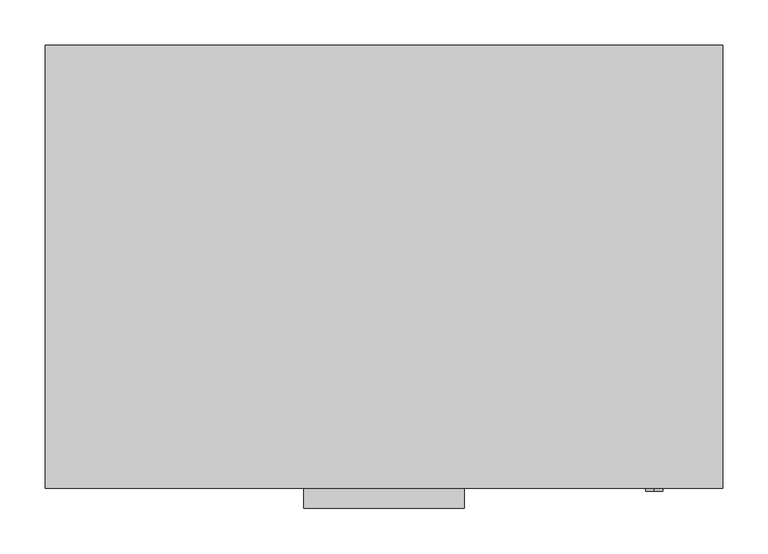
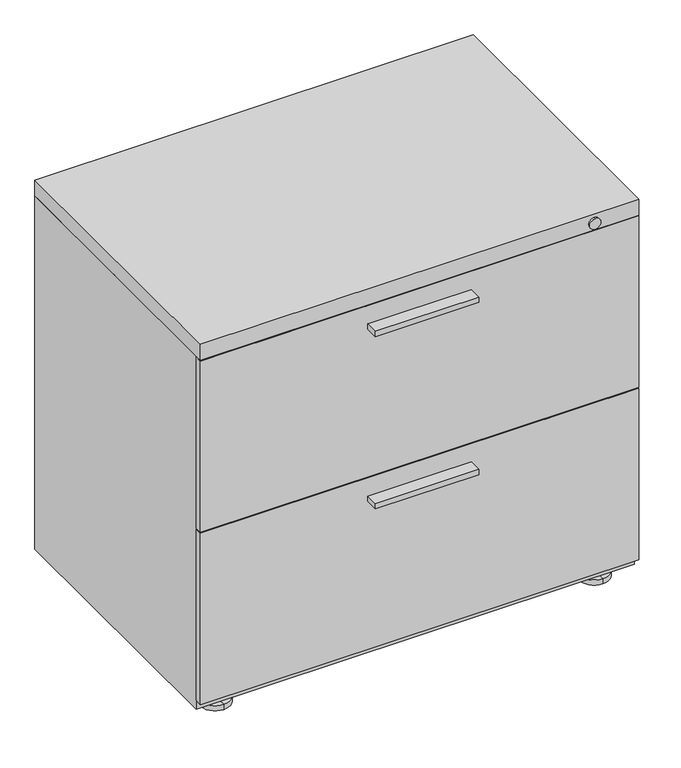
"""IFC4 building model written with IfcOpenShell, lengths in millimetres: furniture geometry."""

from ifc_helpers import new_model, si_unit, point, frame, frame_2d, origin, place, context, project, spatial, polyline, circle_curve, trimmed, segment, composite_curve, outline, extrude, source, transform, mapped, element, save
from ifc_brep_helpers import plane_surface, cylinder_surface, advanced_brep


def furniture_3947ad77(model_context):
    return source(origin(), model_context, "Body", "SolidModel", [
        advanced_brep(
        [(325.4374758, 201.6124871, 22.2249992), (325.4374758, 176.2124932, 22.2249992), (325.4374758, 188.9124902, 22.2249992), (325.4374758, 201.6124871, 9.525), (325.4374758, 176.2124932, 9.525), (325.4374758, 214.3124886, 9.525), (325.4374758, 163.5124917, 9.525), (325.4374758, 214.3124886, 0.0), (325.4374758, 163.5124917, 0.0), (325.4374758, 188.9124902, 0.0)],
        [
            (0, 1, circle_curve(frame((325.4374758, 188.9124902, 22.2249992), z_axis=(0.0, 0.0, 1.0), x_axis=(0.0, -1.0, 0.0)), 12.699997)),
            (1, 2),
            (2, 0),
            (1, 0, circle_curve(frame((325.4374758, 188.9124902, 22.2249992), z_axis=(0.0, 0.0, 1.0), x_axis=(0.0, -1.0, 0.0)), 12.699997)),
            (3, 4, circle_curve(frame((325.4374758, 188.9124902, 9.525), z_axis=(0.0, 0.0, 1.0), x_axis=(0.0, -1.0, 0.0)), 12.699997)),
            (4, 1),
            (0, 3),
            (4, 3, circle_curve(frame((325.4374758, 188.9124902, 9.525), z_axis=(0.0, 0.0, 1.0), x_axis=(0.0, -1.0, 0.0)), 12.699997)),
            (5, 6, circle_curve(frame((325.4374758, 188.9124902, 9.525), z_axis=(0.0, 0.0, 1.0), x_axis=(0.0, -1.0, 0.0)), 25.3999985)),
            (6, 4),
            (3, 5),
            (6, 5, circle_curve(frame((325.4374758, 188.9124902, 9.525), z_axis=(0.0, 0.0, 1.0), x_axis=(0.0, -1.0, 0.0)), 25.3999985)),
            (7, 8, circle_curve(frame((325.4374758, 188.9124902, 0.0), z_axis=(0.0, 0.0, 1.0), x_axis=(0.0, -1.0, 0.0)), 25.3999985)),
            (8, 6),
            (5, 7),
            (8, 7, circle_curve(frame((325.4374758, 188.9124902, 0.0), z_axis=(0.0, 0.0, 1.0), x_axis=(0.0, -1.0, 0.0)), 25.3999985)),
            (9, 8),
            (7, 9),
        ],
        [
            plane_surface(frame((325.4374758, 188.9124902, 22.2249992), z_axis=(0.0, 0.0, 1.0), x_axis=(0.0, -1.0, 0.0))),
            cylinder_surface(frame((325.4374758, 188.9124902, 0.0), z_axis=(0.0, 0.0, -1.0), x_axis=(0.0, -1.0, 0.0)), 12.699997),
            plane_surface(frame((325.4374758, 188.9124902, 9.525), z_axis=(0.0, 0.0, 1.0), x_axis=(0.0, -1.0, 0.0))),
            cylinder_surface(frame((325.4374758, 188.9124902, 0.0), z_axis=(0.0, 0.0, -1.0), x_axis=(0.0, -1.0, 0.0)), 25.3999985),
            plane_surface(frame((325.4374758, 188.9124902, 0.0), z_axis=(0.0, 0.0, -1.0), x_axis=(0.0, -1.0, 0.0))),
        ],
        [
            (0, [[1, 2, 3]]),
            (0, [[4, -3, -2]]),
            (1, [[5, 6, -1, 7]]),
            (1, [[8, -7, -4, -6]]),
            (2, [[9, 10, -5, 11]]),
            (2, [[12, -11, -8, -10]]),
            (3, [[13, 14, -9, 15]]),
            (3, [[16, -15, -12, -14]]),
            (4, [[17, -13, 18]]),
            (4, [[-18, -16, -17]]),
        ],
    ),
        advanced_brep(
        [(325.4374758, 214.3124909, 9.525), (325.4374758, 163.5124939, 9.525), (325.4374758, 188.9124924, 9.525), (325.4374758, 214.3124909, 0.0), (325.4374758, 163.5124939, 0.0), (325.4374758, 188.9124924, 0.0)],
        [
            (0, 1, circle_curve(frame((325.4374758, 188.9124924, 9.525), z_axis=(0.0, 0.0, 1.0), x_axis=(0.0, -1.0, 0.0)), 25.3999985)),
            (1, 2),
            (2, 0),
            (1, 0, circle_curve(frame((325.4374758, 188.9124924, 9.525), z_axis=(0.0, 0.0, 1.0), x_axis=(0.0, -1.0, 0.0)), 25.3999985)),
            (3, 4, circle_curve(frame((325.4374758, 188.9124924, 0.0), z_axis=(0.0, 0.0, 1.0), x_axis=(0.0, -1.0, 0.0)), 25.3999985)),
            (4, 1),
            (0, 3),
            (4, 3, circle_curve(frame((325.4374758, 188.9124924, 0.0), z_axis=(0.0, 0.0, 1.0), x_axis=(0.0, -1.0, 0.0)), 25.3999985)),
            (5, 4),
            (3, 5),
        ],
        [
            plane_surface(frame((325.4374758, 188.9124924, 9.525), z_axis=(0.0, 0.0, 1.0), x_axis=(0.0, -1.0, 0.0))),
            cylinder_surface(frame((325.4374758, 188.9124924, 0.0), z_axis=(0.0, 0.0, -1.0), x_axis=(0.0, -1.0, 0.0)), 25.3999985),
            plane_surface(frame((325.4374758, 188.9124924, 0.0), z_axis=(0.0, 0.0, -1.0), x_axis=(0.0, -1.0, 0.0))),
        ],
        [
            (0, [[1, 2, 3]]),
            (0, [[4, -3, -2]]),
            (1, [[5, 6, -1, 7]]),
            (1, [[8, -7, -4, -6]]),
            (2, [[9, -5, 10]]),
            (2, [[-10, -8, -9]]),
        ],
    ),
        advanced_brep(
        [(325.4374758, -188.912522, 22.2249992), (325.4374758, -214.3125159, 22.2249992), (325.4374758, -201.6125189, 22.2249992), (325.4374758, -188.912522, 9.525), (325.4374758, -214.3125159, 9.525), (325.4374758, -176.2125204, 9.525), (325.4374758, -227.0125174, 9.525), (325.4374758, -176.2125204, 0.0), (325.4374758, -227.0125174, 0.0), (325.4374758, -201.6125189, 0.0)],
        [
            (0, 1, circle_curve(frame((325.4374758, -201.6125189, 22.2249992), z_axis=(0.0, 0.0, 1.0), x_axis=(0.0, -1.0, 0.0)), 12.699997)),
            (1, 2),
            (2, 0),
            (1, 0, circle_curve(frame((325.4374758, -201.6125189, 22.2249992), z_axis=(0.0, 0.0, 1.0), x_axis=(0.0, -1.0, 0.0)), 12.699997)),
            (3, 4, circle_curve(frame((325.4374758, -201.6125189, 9.525), z_axis=(0.0, 0.0, 1.0), x_axis=(0.0, -1.0, 0.0)), 12.699997)),
            (4, 1),
            (0, 3),
            (4, 3, circle_curve(frame((325.4374758, -201.6125189, 9.525), z_axis=(0.0, 0.0, 1.0), x_axis=(0.0, -1.0, 0.0)), 12.699997)),
            (5, 6, circle_curve(frame((325.4374758, -201.6125189, 9.525), z_axis=(0.0, 0.0, 1.0), x_axis=(0.0, -1.0, 0.0)), 25.3999985)),
            (6, 4),
            (3, 5),
            (6, 5, circle_curve(frame((325.4374758, -201.6125189, 9.525), z_axis=(0.0, 0.0, 1.0), x_axis=(0.0, -1.0, 0.0)), 25.3999985)),
            (7, 8, circle_curve(frame((325.4374758, -201.6125189, 0.0), z_axis=(0.0, 0.0, 1.0), x_axis=(0.0, -1.0, 0.0)), 25.3999985)),
            (8, 6),
            (5, 7),
            (8, 7, circle_curve(frame((325.4374758, -201.6125189, 0.0), z_axis=(0.0, 0.0, 1.0), x_axis=(0.0, -1.0, 0.0)), 25.3999985)),
            (9, 8),
            (7, 9),
        ],
        [
            plane_surface(frame((325.4374758, -201.6125189, 22.2249992), z_axis=(0.0, 0.0, 1.0), x_axis=(0.0, -1.0, 0.0))),
            cylinder_surface(frame((325.4374758, -201.6125189, 0.0), z_axis=(0.0, 0.0, -1.0), x_axis=(0.0, -1.0, 0.0)), 12.699997),
            plane_surface(frame((325.4374758, -201.6125189, 9.525), z_axis=(0.0, 0.0, 1.0), x_axis=(0.0, -1.0, 0.0))),
            cylinder_surface(frame((325.4374758, -201.6125189, 0.0), z_axis=(0.0, 0.0, -1.0), x_axis=(0.0, -1.0, 0.0)), 25.3999985),
            plane_surface(frame((325.4374758, -201.6125189, 0.0), z_axis=(0.0, 0.0, -1.0), x_axis=(0.0, -1.0, 0.0))),
        ],
        [
            (0, [[1, 2, 3]]),
            (0, [[4, -3, -2]]),
            (1, [[5, 6, -1, 7]]),
            (1, [[8, -7, -4, -6]]),
            (2, [[9, 10, -5, 11]]),
            (2, [[12, -11, -8, -10]]),
            (3, [[13, 14, -9, 15]]),
            (3, [[16, -15, -12, -14]]),
            (4, [[17, -13, 18]]),
            (4, [[-18, -16, -17]]),
        ],
    ),
        advanced_brep(
        [(325.4374758, -176.2125182, 9.525), (325.4374758, -227.0125151, 9.525), (325.4374758, -201.6125167, 9.525), (325.4374758, -176.2125182, 0.0), (325.4374758, -227.0125151, 0.0), (325.4374758, -201.6125167, 0.0)],
        [
            (0, 1, circle_curve(frame((325.4374758, -201.6125167, 9.525), z_axis=(0.0, 0.0, 1.0), x_axis=(0.0, -1.0, 0.0)), 25.3999985)),
            (1, 2),
            (2, 0),
            (1, 0, circle_curve(frame((325.4374758, -201.6125167, 9.525), z_axis=(0.0, 0.0, 1.0), x_axis=(0.0, -1.0, 0.0)), 25.3999985)),
            (3, 4, circle_curve(frame((325.4374758, -201.6125167, 0.0), z_axis=(0.0, 0.0, 1.0), x_axis=(0.0, -1.0, 0.0)), 25.3999985)),
            (4, 1),
            (0, 3),
            (4, 3, circle_curve(frame((325.4374758, -201.6125167, 0.0), z_axis=(0.0, 0.0, 1.0), x_axis=(0.0, -1.0, 0.0)), 25.3999985)),
            (5, 4),
            (3, 5),
        ],
        [
            plane_surface(frame((325.4374758, -201.6125167, 9.525), z_axis=(0.0, 0.0, 1.0), x_axis=(0.0, -1.0, 0.0))),
            cylinder_surface(frame((325.4374758, -201.6125167, 0.0), z_axis=(0.0, 0.0, -1.0), x_axis=(0.0, -1.0, 0.0)), 25.3999985),
            plane_surface(frame((325.4374758, -201.6125167, 0.0), z_axis=(0.0, 0.0, -1.0), x_axis=(0.0, -1.0, 0.0))),
        ],
        [
            (0, [[1, 2, 3]]),
            (0, [[4, -3, -2]]),
            (1, [[5, 6, -1, 7]]),
            (1, [[8, -7, -4, -6]]),
            (2, [[9, -5, 10]]),
            (2, [[-10, -8, -9]]),
        ],
    ),
        advanced_brep(
        [(-325.4374985, 201.6124871, 22.2249992), (-325.4374985, 176.2124932, 22.2249992), (-325.4374985, 188.9124902, 22.2249992), (-325.4374985, 201.6124871, 9.525), (-325.4374985, 176.2124932, 9.525), (-325.4374985, 214.3124886, 9.525), (-325.4374985, 163.5124917, 9.525), (-325.4374985, 214.3124886, 0.0), (-325.4374985, 163.5124917, 0.0), (-325.4374985, 188.9124902, 0.0)],
        [
            (0, 1, circle_curve(frame((-325.4374985, 188.9124902, 22.2249992), z_axis=(0.0, 0.0, 1.0), x_axis=(0.0, -1.0, 0.0)), 12.699997)),
            (1, 2),
            (2, 0),
            (1, 0, circle_curve(frame((-325.4374985, 188.9124902, 22.2249992), z_axis=(0.0, 0.0, 1.0), x_axis=(0.0, -1.0, 0.0)), 12.699997)),
            (3, 4, circle_curve(frame((-325.4374985, 188.9124902, 9.525), z_axis=(0.0, 0.0, 1.0), x_axis=(0.0, -1.0, 0.0)), 12.699997)),
            (4, 1),
            (0, 3),
            (4, 3, circle_curve(frame((-325.4374985, 188.9124902, 9.525), z_axis=(0.0, 0.0, 1.0), x_axis=(0.0, -1.0, 0.0)), 12.699997)),
            (5, 6, circle_curve(frame((-325.4374985, 188.9124902, 9.525), z_axis=(0.0, 0.0, 1.0), x_axis=(0.0, -1.0, 0.0)), 25.3999985)),
            (6, 4),
            (3, 5),
            (6, 5, circle_curve(frame((-325.4374985, 188.9124902, 9.525), z_axis=(0.0, 0.0, 1.0), x_axis=(0.0, -1.0, 0.0)), 25.3999985)),
            (7, 8, circle_curve(frame((-325.4374985, 188.9124902, 0.0), z_axis=(0.0, 0.0, 1.0), x_axis=(0.0, -1.0, 0.0)), 25.3999985)),
            (8, 6),
            (5, 7),
            (8, 7, circle_curve(frame((-325.4374985, 188.9124902, 0.0), z_axis=(0.0, 0.0, 1.0), x_axis=(0.0, -1.0, 0.0)), 25.3999985)),
            (9, 8),
            (7, 9),
        ],
        [
            plane_surface(frame((-325.4374985, 188.9124902, 22.2249992), z_axis=(0.0, 0.0, 1.0), x_axis=(0.0, -1.0, 0.0))),
            cylinder_surface(frame((-325.4374985, 188.9124902, 0.0), z_axis=(0.0, 0.0, -1.0), x_axis=(0.0, -1.0, 0.0)), 12.699997),
            plane_surface(frame((-325.4374985, 188.9124902, 9.525), z_axis=(0.0, 0.0, 1.0), x_axis=(0.0, -1.0, 0.0))),
            cylinder_surface(frame((-325.4374985, 188.9124902, 0.0), z_axis=(0.0, 0.0, -1.0), x_axis=(0.0, -1.0, 0.0)), 25.3999985),
            plane_surface(frame((-325.4374985, 188.9124902, 0.0), z_axis=(0.0, 0.0, -1.0), x_axis=(0.0, -1.0, 0.0))),
        ],
        [
            (0, [[1, 2, 3]]),
            (0, [[4, -3, -2]]),
            (1, [[5, 6, -1, 7]]),
            (1, [[8, -7, -4, -6]]),
            (2, [[9, 10, -5, 11]]),
            (2, [[12, -11, -8, -10]]),
            (3, [[13, 14, -9, 15]]),
            (3, [[16, -15, -12, -14]]),
            (4, [[17, -13, 18]]),
            (4, [[-18, -16, -17]]),
        ],
    ),
        advanced_brep(
        [(-325.4374985, 214.3124909, 9.525), (-325.4374985, 163.5124939, 9.525), (-325.4374985, 188.9124924, 9.525), (-325.4374985, 214.3124909, 0.0), (-325.4374985, 163.5124939, 0.0), (-325.4374985, 188.9124924, 0.0)],
        [
            (0, 1, circle_curve(frame((-325.4374985, 188.9124924, 9.525), z_axis=(0.0, 0.0, 1.0), x_axis=(0.0, -1.0, 0.0)), 25.3999985)),
            (1, 2),
            (2, 0),
            (1, 0, circle_curve(frame((-325.4374985, 188.9124924, 9.525), z_axis=(0.0, 0.0, 1.0), x_axis=(0.0, -1.0, 0.0)), 25.3999985)),
            (3, 4, circle_curve(frame((-325.4374985, 188.9124924, 0.0), z_axis=(0.0, 0.0, 1.0), x_axis=(0.0, -1.0, 0.0)), 25.3999985)),
            (4, 1),
            (0, 3),
            (4, 3, circle_curve(frame((-325.4374985, 188.9124924, 0.0), z_axis=(0.0, 0.0, 1.0), x_axis=(0.0, -1.0, 0.0)), 25.3999985)),
            (5, 4),
            (3, 5),
        ],
        [
            plane_surface(frame((-325.4374985, 188.9124924, 9.525), z_axis=(0.0, 0.0, 1.0), x_axis=(0.0, -1.0, 0.0))),
            cylinder_surface(frame((-325.4374985, 188.9124924, 0.0), z_axis=(0.0, 0.0, -1.0), x_axis=(0.0, -1.0, 0.0)), 25.3999985),
            plane_surface(frame((-325.4374985, 188.9124924, 0.0), z_axis=(0.0, 0.0, -1.0), x_axis=(0.0, -1.0, 0.0))),
        ],
        [
            (0, [[1, 2, 3]]),
            (0, [[4, -3, -2]]),
            (1, [[5, 6, -1, 7]]),
            (1, [[8, -7, -4, -6]]),
            (2, [[9, -5, 10]]),
            (2, [[-10, -8, -9]]),
        ],
    ),
        advanced_brep(
        [(-325.4374985, -188.912522, 22.2249992), (-325.4374985, -214.3125159, 22.2249992), (-325.4374985, -201.6125189, 22.2249992), (-325.4374985, -188.912522, 9.525), (-325.4374985, -214.3125159, 9.525), (-325.4374985, -176.2125204, 9.525), (-325.4374985, -227.0125174, 9.525), (-325.4374985, -176.2125204, 0.0), (-325.4374985, -227.0125174, 0.0), (-325.4374985, -201.6125189, 0.0)],
        [
            (0, 1, circle_curve(frame((-325.4374985, -201.6125189, 22.2249992), z_axis=(0.0, 0.0, 1.0), x_axis=(0.0, -1.0, 0.0)), 12.699997)),
            (1, 2),
            (2, 0),
            (1, 0, circle_curve(frame((-325.4374985, -201.6125189, 22.2249992), z_axis=(0.0, 0.0, 1.0), x_axis=(0.0, -1.0, 0.0)), 12.699997)),
            (3, 4, circle_curve(frame((-325.4374985, -201.6125189, 9.525), z_axis=(0.0, 0.0, 1.0), x_axis=(0.0, -1.0, 0.0)), 12.699997)),
            (4, 1),
            (0, 3),
            (4, 3, circle_curve(frame((-325.4374985, -201.6125189, 9.525), z_axis=(0.0, 0.0, 1.0), x_axis=(0.0, -1.0, 0.0)), 12.699997)),
            (5, 6, circle_curve(frame((-325.4374985, -201.6125189, 9.525), z_axis=(0.0, 0.0, 1.0), x_axis=(0.0, -1.0, 0.0)), 25.3999985)),
            (6, 4),
            (3, 5),
            (6, 5, circle_curve(frame((-325.4374985, -201.6125189, 9.525), z_axis=(0.0, 0.0, 1.0), x_axis=(0.0, -1.0, 0.0)), 25.3999985)),
            (7, 8, circle_curve(frame((-325.4374985, -201.6125189, 0.0), z_axis=(0.0, 0.0, 1.0), x_axis=(0.0, -1.0, 0.0)), 25.3999985)),
            (8, 6),
            (5, 7),
            (8, 7, circle_curve(frame((-325.4374985, -201.6125189, 0.0), z_axis=(0.0, 0.0, 1.0), x_axis=(0.0, -1.0, 0.0)), 25.3999985)),
            (9, 8),
            (7, 9),
        ],
        [
            plane_surface(frame((-325.4374985, -201.6125189, 22.2249992), z_axis=(0.0, 0.0, 1.0), x_axis=(0.0, -1.0, 0.0))),
            cylinder_surface(frame((-325.4374985, -201.6125189, 0.0), z_axis=(0.0, 0.0, -1.0), x_axis=(0.0, -1.0, 0.0)), 12.699997),
            plane_surface(frame((-325.4374985, -201.6125189, 9.525), z_axis=(0.0, 0.0, 1.0), x_axis=(0.0, -1.0, 0.0))),
            cylinder_surface(frame((-325.4374985, -201.6125189, 0.0), z_axis=(0.0, 0.0, -1.0), x_axis=(0.0, -1.0, 0.0)), 25.3999985),
            plane_surface(frame((-325.4374985, -201.6125189, 0.0), z_axis=(0.0, 0.0, -1.0), x_axis=(0.0, -1.0, 0.0))),
        ],
        [
            (0, [[1, 2, 3]]),
            (0, [[4, -3, -2]]),
            (1, [[5, 6, -1, 7]]),
            (1, [[8, -7, -4, -6]]),
            (2, [[9, 10, -5, 11]]),
            (2, [[12, -11, -8, -10]]),
            (3, [[13, 14, -9, 15]]),
            (3, [[16, -15, -12, -14]]),
            (4, [[17, -13, 18]]),
            (4, [[-18, -16, -17]]),
        ],
    ),
        advanced_brep(
        [(-325.4374985, -176.2125182, 9.525), (-325.4374985, -227.0125151, 9.525), (-325.4374985, -201.6125167, 9.525), (-325.4374985, -176.2125182, 0.0), (-325.4374985, -227.0125151, 0.0), (-325.4374985, -201.6125167, 0.0)],
        [
            (0, 1, circle_curve(frame((-325.4374985, -201.6125167, 9.525), z_axis=(0.0, 0.0, 1.0), x_axis=(0.0, -1.0, 0.0)), 25.3999985)),
            (1, 2),
            (2, 0),
            (1, 0, circle_curve(frame((-325.4374985, -201.6125167, 9.525), z_axis=(0.0, 0.0, 1.0), x_axis=(0.0, -1.0, 0.0)), 25.3999985)),
            (3, 4, circle_curve(frame((-325.4374985, -201.6125167, 0.0), z_axis=(0.0, 0.0, 1.0), x_axis=(0.0, -1.0, 0.0)), 25.3999985)),
            (4, 1),
            (0, 3),
            (4, 3, circle_curve(frame((-325.4374985, -201.6125167, 0.0), z_axis=(0.0, 0.0, 1.0), x_axis=(0.0, -1.0, 0.0)), 25.3999985)),
            (5, 4),
            (3, 5),
        ],
        [
            plane_surface(frame((-325.4374985, -201.6125167, 9.525), z_axis=(0.0, 0.0, 1.0), x_axis=(0.0, -1.0, 0.0))),
            cylinder_surface(frame((-325.4374985, -201.6125167, 0.0), z_axis=(0.0, 0.0, -1.0), x_axis=(0.0, -1.0, 0.0)), 25.3999985),
            plane_surface(frame((-325.4374985, -201.6125167, 0.0), z_axis=(0.0, 0.0, -1.0), x_axis=(0.0, -1.0, 0.0))),
        ],
        [
            (0, [[1, 2, 3]]),
            (0, [[4, -3, -2]]),
            (1, [[5, 6, -1, 7]]),
            (1, [[8, -7, -4, -6]]),
            (2, [[9, -5, 10]]),
            (2, [[-10, -8, -9]]),
        ],
    ),
        extrude(outline(polyline([(88.9, -268.2875), (-88.9, -268.2875), (-88.9, -246.0625), (88.9, -246.0625), (88.9, -268.2875)])), frame((0.0, 0.0, 619.1250045), z_axis=(0.0, 0.0, 1.0), x_axis=(1.0, 0.0, 0.0)), (0.0, 0.0, 1.0), 9.525),
        extrude(outline(polyline([(88.9, -268.2875), (-88.9, -268.2875), (-88.9, -246.0625), (88.9, -246.0625), (88.9, -268.2875)])), frame((0.0, 0.0, 306.3875053), z_axis=(0.0, 0.0, 1.0), x_axis=(1.0, 0.0, 0.0)), (0.0, 0.0, 1.0), 9.525),
        extrude(outline(polyline([(-376.2375, -233.3624758), (376.2375, -233.3624758), (376.2375, -246.0625), (-376.2375, -246.0625), (-376.2375, -233.3624758)])), frame((0.0, 0.0, 350.8375), z_axis=(0.0, 0.0, 1.0), x_axis=(1.0, 0.0, 0.0)), (0.0, 0.0, 1.0), 311.1500121),
        extrude(outline(composite_curve([segment(trimmed(circle_curve(frame_2d((676.2750242, 300.0375)), 9.525), [point((666.7500242, 300.0375))], [point((685.8000242, 300.0375))], False, "CARTESIAN"), True, "CONTINUOUS"), segment(trimmed(circle_curve(frame_2d((676.2750242, 300.0375)), 9.525), [point((685.8000242, 300.0375))], [point((666.7500242, 300.0375))], False, "CARTESIAN"), True, "CONTINUOUS")], self_intersect=False)), frame((0.0, -249.2374879, 0.0), z_axis=(0.0, 1.0, 0.0), x_axis=(0.0, 0.0, 1.0)), (0.0, 0.0, 1.0), 3.1749879),
        extrude(outline(polyline([(-376.2375, -233.3624758), (376.2375, -233.3624758), (376.2375, -246.0625), (-376.2375, -246.0625), (-376.2375, -233.3624758)])), frame((0.0, 0.0, 38.1000008), z_axis=(0.0, 0.0, 1.0), x_axis=(1.0, 0.0, 0.0)), (0.0, 0.0, 1.0), 311.1500121),
        extrude(outline(polyline([(376.2375, 246.0625), (376.2375, -246.0625), (-376.2375, -246.0625), (-376.2375, 246.0625), (376.2375, 246.0625)])), frame((0.0, 0.0, 663.575), z_axis=(0.0, 0.0, 1.0), x_axis=(1.0, 0.0, 0.0)), (0.0, 0.0, 1.0), 28.575),
        extrude(outline(polyline([(376.2375, 246.0625), (376.2375, -233.3624758), (-376.2375, -233.3624758), (-376.2375, 246.0625), (376.2375, 246.0625)])), frame((0.0, 0.0, 22.225), z_axis=(0.0, 0.0, 1.0), x_axis=(1.0, 0.0, 0.0)), (0.0, 0.0, 1.0), 641.35),
    ])


if __name__ == "__main__":
    model = new_model("IFC4")
    model_context = context("Model", 3, world=origin())
    ifc_project = project(units=[si_unit("LENGTHUNIT", "METRE", prefix="MILLI")], contexts=[model_context])
    site = spatial("IfcSite", under=ifc_project)
    building = spatial("IfcBuilding", under=site)
    placement = place(None, origin())
    furniture_shape = furniture_3947ad77(model_context)
    element("IfcFurniture", 1, at=placement, inside=building, context=model_context, shape_type="MappedRepresentation", body=[
        mapped(furniture_shape, transform((0.0, 0.0, 0.0), x_axis=(1.0, 0.0, 0.0), y_axis=(0.0, 1.0, 0.0), z_axis=(0.0, 0.0, 1.0))),
    ])
    save(model, "model.ifc")
